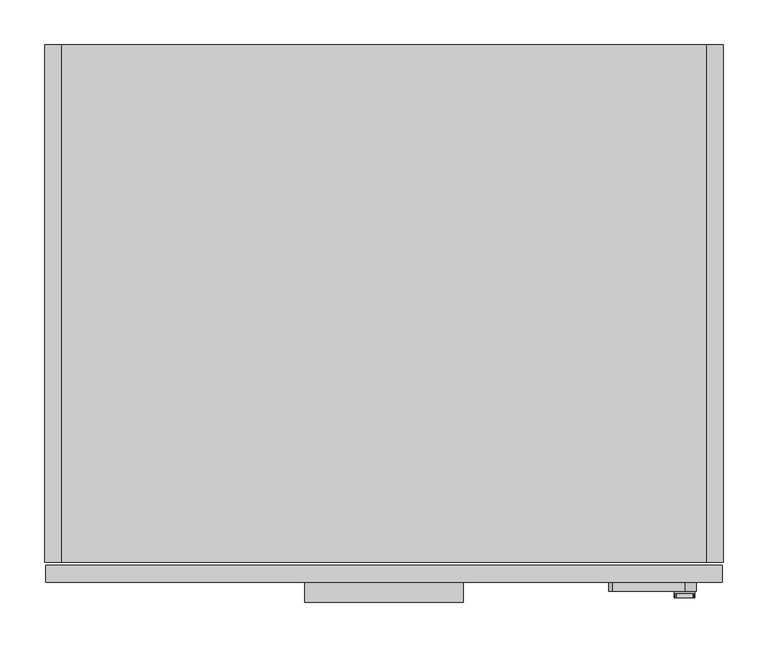
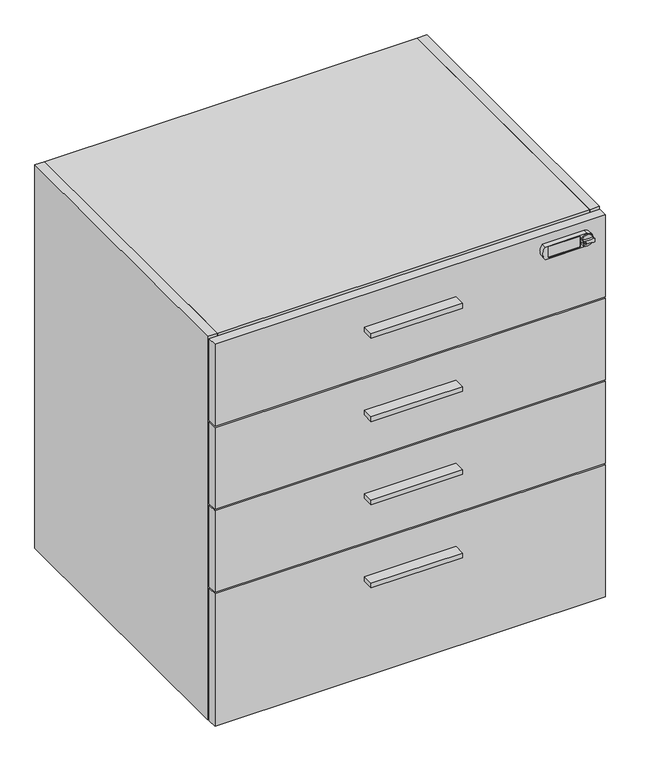
"""IFC4 building model written with IfcOpenShell, lengths in millimetres: furniture geometry."""

from ifc_helpers import new_model, si_unit, frame, origin, place, context, project, spatial, polyline, circle_curve, outline, extrude, source, transform, mapped, element, save
from ifc_brep_helpers import plane_surface, cylinder_surface, revolved_surface, advanced_brep


def furniture_92b18f6b(model_context):
    return source(origin(), model_context, "Body", "SolidModel", [
        advanced_brep(
        [(706.9389516, -621.03, 855.98), (707.3271839, -621.03, 853.026313), (709.0841031, -621.03, 852.1130336), (728.2171501, -621.03, 852.0828845), (729.4107192, -621.03, 853.026313), (729.7989516, -621.03, 855.98), (729.4107192, -621.03, 858.933687), (728.2171501, -621.03, 859.8771155), (709.0841031, -621.03, 859.8469664), (707.3271839, -621.03, 858.933687), (708.9563122, -621.03, 856.742), (712.2468737, -621.03, 856.742), (712.2468737, -621.03, 855.218), (708.9563122, -621.03, 855.218), (706.9389516, -613.41, 855.98), (729.7989516, -613.41, 855.98), (729.4107192, -615.5824403, 853.026313), (707.3271839, -615.5824403, 853.026313), (707.3271839, -615.5824403, 858.933687), (729.4107192, -615.5824403, 858.933687), (728.2171501, -615.5824403, 859.8771155), (709.0841031, -615.5824403, 859.8469664), (728.2171501, -615.5824403, 852.0828845), (709.0841031, -615.5824403, 852.1130336), (712.2468737, -619.8058699, 856.742), (708.9563122, -619.8058699, 856.742), (708.9563122, -619.8058699, 855.218), (712.2468737, -619.8058699, 855.218)],
        [
            (0, 1, circle_curve(frame((718.3689516, -621.03, 855.98), z_axis=(0.0, -1.0, 0.0), x_axis=(1.0, 0.0, 0.0)), 11.43)),
            (1, 2, circle_curve(frame((708.7238335, -621.03, 853.56654), z_axis=(0.0, -1.0, 0.0), x_axis=(1.0, 0.0, 0.0)), 1.4974896)),
            (2, 3, circle_curve(frame((718.5902164, -621.03, 813.7606576), z_axis=(0.0, 1.0, 0.0), x_axis=(1.0, 0.0, 0.0)), 39.512921)),
            (3, 4, circle_curve(frame((728.0140697, -621.03, 853.56654), z_axis=(0.0, -1.0, 0.0), x_axis=(1.0, 0.0, 0.0)), 1.4974896)),
            (4, 5, circle_curve(frame((718.3689516, -621.03, 855.98), z_axis=(0.0, -1.0, 0.0), x_axis=(1.0, 0.0, 0.0)), 11.43)),
            (5, 6, circle_curve(frame((718.3689516, -621.03, 855.98), z_axis=(0.0, -1.0, 0.0), x_axis=(1.0, 0.0, 0.0)), 11.43)),
            (6, 7, circle_curve(frame((728.0140697, -621.03, 858.39346), z_axis=(0.0, -1.0, 0.0), x_axis=(1.0, 0.0, 0.0)), 1.4974896)),
            (7, 8, circle_curve(frame((718.5902164, -621.03, 898.1993424), z_axis=(0.0, 1.0, 0.0), x_axis=(1.0, 0.0, 0.0)), 39.512921)),
            (8, 9, circle_curve(frame((708.7238335, -621.03, 858.39346), z_axis=(0.0, -1.0, 0.0), x_axis=(1.0, 0.0, 0.0)), 1.4974896)),
            (9, 0, circle_curve(frame((718.3689516, -621.03, 855.98), z_axis=(0.0, -1.0, 0.0), x_axis=(1.0, 0.0, 0.0)), 11.43)),
            (10, 11),
            (11, 12, circle_curve(frame((712.2468737, -621.03, 855.98), z_axis=(0.0, 1.0, 0.0), x_axis=(-1.0, 0.0, 0.0)), 0.762)),
            (12, 13),
            (13, 10, circle_curve(frame((708.9563122, -621.03, 855.98), z_axis=(0.0, 1.0, 0.0), x_axis=(1.0, 0.0, 0.0)), 0.762)),
            (14, 15, circle_curve(frame((718.3689516, -613.41, 855.98), z_axis=(0.0, 1.0, 0.0), x_axis=(1.0, 0.0, 0.0)), 11.43)),
            (15, 14, circle_curve(frame((718.3689516, -613.41, 855.98), z_axis=(0.0, 1.0, 0.0), x_axis=(1.0, 0.0, 0.0)), 11.43)),
            (15, 5),
            (4, 16),
            (16, 17, circle_curve(frame((718.3689516, -615.5824403, 855.98), z_axis=(0.0, 1.0, 0.0), x_axis=(1.0, 0.0, 0.0)), 11.43)),
            (17, 1),
            (0, 14),
            (9, 18),
            (18, 19, circle_curve(frame((718.3689516, -615.5824403, 855.98), z_axis=(0.0, 1.0, 0.0), x_axis=(1.0, 0.0, 0.0)), 11.43)),
            (19, 6),
            (20, 19, circle_curve(frame((728.0140697, -615.5824403, 858.39346), z_axis=(0.0, 1.0, 0.0), x_axis=(1.0, 0.0, 0.0)), 1.4974896)),
            (18, 21, circle_curve(frame((708.7238335, -615.5824403, 858.39346), z_axis=(0.0, 1.0, 0.0), x_axis=(1.0, 0.0, 0.0)), 1.4974896)),
            (21, 20, circle_curve(frame((718.5902164, -615.5824403, 898.1993424), z_axis=(0.0, -1.0, 0.0), x_axis=(1.0, 0.0, 0.0)), 39.512921)),
            (22, 23, circle_curve(frame((718.5902164, -615.5824403, 813.7606576), z_axis=(0.0, -1.0, 0.0), x_axis=(1.0, 0.0, 0.0)), 39.512921)),
            (23, 17, circle_curve(frame((708.7238335, -615.5824403, 853.56654), z_axis=(0.0, 1.0, 0.0), x_axis=(1.0, 0.0, 0.0)), 1.4974896)),
            (16, 22, circle_curve(frame((728.0140697, -615.5824403, 853.56654), z_axis=(0.0, 1.0, 0.0), x_axis=(1.0, 0.0, 0.0)), 1.4974896)),
            (20, 7),
            (8, 21),
            (22, 3),
            (2, 23),
            (24, 25),
            (25, 26, circle_curve(frame((708.9563122, -619.8058699, 855.98), z_axis=(0.0, -1.0, 0.0), x_axis=(1.0, 0.0, 0.0)), 0.762)),
            (26, 27),
            (27, 24, circle_curve(frame((712.2468737, -619.8058699, 855.98), z_axis=(0.0, -1.0, 0.0), x_axis=(-1.0, 0.0, 0.0)), 0.762)),
            (24, 11),
            (10, 25),
            (13, 26),
            (12, 27),
        ],
        [
            plane_surface(frame((729.7989516, -621.03, 855.98), z_axis=(0.0, -1.0, 0.0), x_axis=(0.0, 0.0, 1.0))),
            plane_surface(frame((729.7989516, -613.41, 855.98), z_axis=(0.0, 1.0, 0.0), x_axis=(0.0, 0.0, -1.0))),
            cylinder_surface(frame((718.3689516, -613.41, 855.98), z_axis=(0.0, -1.0, 0.0), x_axis=(1.0, 0.0, 0.0)), 11.43),
            plane_surface(frame((729.5115593, -615.5824403, 858.39346), z_axis=(0.0, -1.0, 0.0), x_axis=(0.0, 0.0, 1.0))),
            cylinder_surface(frame((728.0140697, -615.5824403, 858.39346), z_axis=(0.0, 1.0, 0.0), x_axis=(1.0, 0.0, 0.0)), 1.4974896),
            cylinder_surface(frame((708.7238335, -615.5824403, 858.39346), z_axis=(0.0, 1.0, 0.0), x_axis=(1.0, 0.0, 0.0)), 1.4974896),
            revolved_surface(polyline([(758.1031374, -621.03, 898.1993424), (758.1031374, -615.5824403, 898.1993424)]), (718.5902164, -615.5824403, 898.1993424), (0.0, -1.0, 0.0)),
            revolved_surface(polyline([(758.1031374, -621.03, 813.7606576), (758.1031374, -615.5824403, 813.7606576)]), (718.5902164, -603.504, 813.7606576), (0.0, -1.0, 0.0)),
            cylinder_surface(frame((708.7238335, -603.504, 853.56654), z_axis=(0.0, 1.0, 0.0), x_axis=(1.0, 0.0, 0.0)), 1.4974896),
            cylinder_surface(frame((728.0140697, -603.504, 853.56654), z_axis=(0.0, 1.0, 0.0), x_axis=(1.0, 0.0, 0.0)), 1.4974896),
            plane_surface(frame((633.1626549, -619.8058699, 856.742), z_axis=(0.0, -1.0, 0.0), x_axis=(1.0, 0.0, 0.0))),
            plane_surface(frame((712.2468737, -621.03, 856.742), z_axis=(0.0, 0.0, -1.0), x_axis=(0.0, 1.0, 0.0))),
            revolved_surface(polyline([(709.7183121999999, -621.03, 855.98), (709.7183121999999, -619.8058699, 855.98)]), (708.9563122, -619.8058699, 855.98), (0.0, -1.0, 0.0)),
            plane_surface(frame((708.9563122, -621.03, 855.218), z_axis=(0.0, 0.0, 1.0), x_axis=(0.0, 1.0, 0.0))),
            revolved_surface(polyline([(711.4848737000001, -621.03, 855.98), (711.4848737000001, -619.8058699, 855.98)]), (712.2468737, -619.8058699, 855.98), (0.0, -1.0, 0.0)),
        ],
        [
            (0, [[1, 2, 3, 4, 5, 6, 7, 8, 9, 10], [11, 12, 13, 14]]),
            (1, [[15, 16]]),
            (2, [[-16, 17, -5, 18, 19, 20, -1, 21]]),
            (2, [[-15, -21, -10, 22, 23, 24, -6, -17]]),
            (3, [[25, -23, 26, 27]]),
            (3, [[28, 29, -19, 30]]),
            (4, [[-25, 31, -7, -24]]),
            (5, [[-26, -22, -9, 32]]),
            (6, [[-27, -32, -8, -31]]),
            (7, [[-28, 33, -3, 34]]),
            (8, [[-29, -34, -2, -20]]),
            (9, [[-30, -18, -4, -33]]),
            (10, [[35, 36, 37, 38]]),
            (11, [[-35, 39, -11, 40]]),
            (12, [[-36, -40, -14, 41]]),
            (13, [[-37, -41, -13, 42]]),
            (14, [[-38, -42, -12, -39]]),
        ],
    ),
        advanced_brep(
        [(637.8119282, -613.41, 868.68), (637.8119282, -613.41, 843.28), (718.5025, -613.41, 843.28), (718.5025, -613.41, 868.68), (703.2083266, -613.41, 844.55), (646.5927741, -613.41, 844.55), (644.0527741, -613.41, 847.09), (644.0527741, -613.41, 864.87), (646.5927741, -613.41, 867.41), (703.2083266, -613.41, 867.41), (705.7483266, -613.41, 864.87), (705.7483266, -613.41, 847.09), (637.8119282, -603.504, 868.68), (718.5025, -603.504, 868.68), (718.5025, -603.504, 843.28), (637.8119282, -603.504, 843.28), (644.0527741, -611.9032162, 847.09), (646.5927741, -611.9032162, 844.55), (703.2083266, -611.9032162, 844.55), (705.7483266, -611.9032162, 847.09), (705.7483266, -611.9032162, 864.87), (703.2083266, -611.9032162, 867.41), (646.5927741, -611.9032162, 867.41), (644.0527741, -611.9032162, 864.87)],
        [
            (0, 1, circle_curve(frame((652.833013, -613.41, 855.98), z_axis=(0.0, -1.0, 0.0), x_axis=(1.0, 0.0, 0.0)), 19.6703582)),
            (1, 2),
            (2, 3, circle_curve(frame((718.5025, -613.41, 855.98), z_axis=(0.0, -1.0, 0.0), x_axis=(1.0, 0.0, 0.0)), 12.7)),
            (3, 0),
            (4, 5),
            (5, 6, circle_curve(frame((646.5927741, -613.41, 847.09), z_axis=(0.0, 1.0, 0.0), x_axis=(1.0, 0.0, 0.0)), 2.54)),
            (6, 7),
            (7, 8, circle_curve(frame((646.5927741, -613.41, 864.87), z_axis=(0.0, 1.0, 0.0), x_axis=(1.0, 0.0, 0.0)), 2.54)),
            (8, 9),
            (9, 10, circle_curve(frame((703.2083266, -613.41, 864.87), z_axis=(0.0, 1.0, 0.0), x_axis=(1.0, 0.0, 0.0)), 2.54)),
            (10, 11),
            (11, 4, circle_curve(frame((703.2083266, -613.41, 847.09), z_axis=(0.0, 1.0, 0.0), x_axis=(1.0, 0.0, 0.0)), 2.54)),
            (12, 13),
            (13, 14, circle_curve(frame((718.5025, -603.504, 855.98), z_axis=(0.0, 1.0, 0.0), x_axis=(1.0, 0.0, 0.0)), 12.7)),
            (14, 15),
            (15, 12, circle_curve(frame((652.833013, -603.504, 855.98), z_axis=(0.0, 1.0, 0.0), x_axis=(1.0, 0.0, 0.0)), 19.6703582)),
            (1, 15),
            (14, 2),
            (3, 13),
            (12, 0),
            (16, 17, circle_curve(frame((646.5927741, -611.9032162, 847.09), z_axis=(0.0, -1.0, 0.0), x_axis=(1.0, 0.0, 0.0)), 2.54)),
            (17, 18),
            (18, 19, circle_curve(frame((703.2083266, -611.9032162, 847.09), z_axis=(0.0, -1.0, 0.0), x_axis=(1.0, 0.0, 0.0)), 2.54)),
            (19, 20),
            (20, 21, circle_curve(frame((703.2083266, -611.9032162, 864.87), z_axis=(0.0, -1.0, 0.0), x_axis=(1.0, 0.0, 0.0)), 2.54)),
            (21, 22),
            (22, 23, circle_curve(frame((646.5927741, -611.9032162, 864.87), z_axis=(0.0, -1.0, 0.0), x_axis=(1.0, 0.0, 0.0)), 2.54)),
            (23, 16),
            (17, 5),
            (4, 18),
            (19, 11),
            (10, 20),
            (21, 9),
            (8, 22),
            (23, 7),
            (6, 16),
        ],
        [
            plane_surface(frame((672.5033712, -613.41, 855.98), z_axis=(0.0, -1.0, 0.0), x_axis=(0.0, 0.0, 1.0))),
            plane_surface(frame((672.5033712, -603.504, 855.98), z_axis=(0.0, 1.0, 0.0), x_axis=(0.0, 0.0, -1.0))),
            plane_surface(frame((637.8119282, -613.41, 843.28), z_axis=(0.0, 0.0, -1.0), x_axis=(0.0, 1.0, 0.0))),
            plane_surface(frame((718.5025, -613.41, 868.68), z_axis=(-2.791359111065728e-12, 0.0, 1.0), x_axis=(0.0, 1.0, 0.0))),
            plane_surface(frame((649.1327741, -611.9032162, 847.09), z_axis=(0.0, -1.0, 0.0), x_axis=(0.0, 0.0, -1.0))),
            cylinder_surface(frame((718.5025, -603.504, 855.98), z_axis=(0.0, -1.0, 0.0), x_axis=(1.0, 0.0, 0.0)), 12.7),
            plane_surface(frame((646.5927741, -619.8058699, 844.55), z_axis=(3.0483134258883253e-12, 0.0, 1.0), x_axis=(0.0, 1.0, 0.0))),
            plane_surface(frame((705.7483266, -619.8058699, 847.09), z_axis=(-1.0, 0.0, 0.0), x_axis=(0.0, 1.0, 0.0))),
            plane_surface(frame((703.2083266, -619.8058699, 867.41), z_axis=(0.0, 0.0, -1.0), x_axis=(0.0, 1.0, 0.0))),
            plane_surface(frame((644.0527741, -619.8058699, 864.87), z_axis=(1.0, 0.0, 0.0), x_axis=(0.0, 1.0, 0.0))),
            revolved_surface(polyline([(649.1327741, -613.41, 847.09), (649.1327741, -611.9032162, 847.09)]), (646.5927741, -611.9032162, 847.09), (0.0, -1.0, 0.0)),
            revolved_surface(polyline([(705.7483265999999, -613.41, 847.09), (705.7483265999999, -611.9032162, 847.09)]), (703.2083266, -611.9032162, 847.09), (0.0, -1.0, 0.0)),
            revolved_surface(polyline([(705.7483265999999, -613.41, 864.87), (705.7483265999999, -611.9032162, 864.87)]), (703.2083266, -611.9032162, 864.87), (0.0, -1.0, 0.0)),
            revolved_surface(polyline([(649.1327741, -613.41, 864.87), (649.1327741, -611.9032162, 864.87)]), (646.5927741, -611.9032162, 864.87), (0.0, -1.0, 0.0)),
            cylinder_surface(frame((652.833013, -603.504, 855.98), z_axis=(0.0, -1.0, 0.0), x_axis=(1.0, 0.0, 0.0)), 19.6703582),
        ],
        [
            (0, [[1, 2, 3, 4], [5, 6, 7, 8, 9, 10, 11, 12]]),
            (1, [[13, 14, 15, 16]]),
            (2, [[-2, 17, -15, 18]]),
            (3, [[-4, 19, -13, 20]]),
            (4, [[21, 22, 23, 24, 25, 26, 27, 28]]),
            (5, [[-3, -18, -14, -19]]),
            (6, [[-22, 29, -5, 30]]),
            (7, [[-24, 31, -11, 32]]),
            (8, [[-26, 33, -9, 34]]),
            (9, [[-28, 35, -7, 36]]),
            (10, [[-21, -36, -6, -29]]),
            (11, [[-23, -30, -12, -31]]),
            (12, [[-25, -32, -10, -33]]),
            (13, [[-27, -34, -8, -35]]),
            (14, [[-1, -20, -16, -17]]),
        ],
    ),
        extrude(outline(polyline([(469.9, -625.729), (292.1, -625.729), (292.1, -603.504), (469.9, -603.504), (469.9, -625.729)])), frame((0.0, 0.0, 297.3451), z_axis=(0.0, 0.0, 1.0), x_axis=(1.0, 0.0, 0.0)), (0.0, 0.0, 1.0), 9.525),
        extrude(outline(polyline([(469.9, -625.729), (292.1, -625.729), (292.1, -603.504), (469.9, -603.504), (469.9, -625.729)])), frame((0.0, 0.0, 809.9425), z_axis=(0.0, 0.0, 1.0), x_axis=(1.0, 0.0, 0.0)), (0.0, 0.0, 1.0), 9.525),
        extrude(outline(polyline([(469.9, -625.729), (292.1, -625.729), (292.1, -603.504), (469.9, -603.504), (469.9, -625.729)])), frame((0.0, 0.0, 639.0767), z_axis=(0.0, 0.0, 1.0), x_axis=(1.0, 0.0, 0.0)), (0.0, 0.0, 1.0), 9.525),
        extrude(outline(polyline([(469.9, -625.729), (292.1, -625.729), (292.1, -603.504), (469.9, -603.504), (469.9, -625.729)])), frame((0.0, 0.0, 468.2109), z_axis=(0.0, 0.0, 1.0), x_axis=(1.0, 0.0, 0.0)), (0.0, 0.0, 1.0), 9.525),
        extrude(outline(polyline([(742.696, 0.0), (742.696, -19.304), (19.304, -19.304), (19.304, 0.0), (742.696, 0.0)])), frame((0.0, 0.0, 101.6), z_axis=(0.0, 0.0, 1.0), x_axis=(1.0, 0.0, 0.0)), (0.0, 0.0, 1.0), 768.096),
        extrude(outline(polyline([(742.696, -581.025), (19.304, -581.025), (19.304, -19.304), (742.696, -19.304), (742.696, -581.025)])), frame((0.0, 0.0, 101.6), z_axis=(0.0, 0.0, 1.0), x_axis=(1.0, 0.0, 0.0)), (0.0, 0.0, 1.0), 19.304),
        extrude(outline(polyline([(742.696, -581.025), (19.304, -581.025), (19.304, 0.0), (742.696, 0.0), (742.696, -581.025)])), frame((0.0, 0.0, 869.696), z_axis=(0.0, 0.0, 1.0), x_axis=(1.0, 0.0, 0.0)), (0.0, 0.0, 1.0), 19.304),
        extrude(outline(polyline([(19.304, 0.0), (19.304, -581.025), (0.0, -581.025), (0.0, 0.0), (19.304, 0.0)])), frame((0.0, 0.0, 101.6), z_axis=(0.0, 0.0, 1.0), x_axis=(1.0, 0.0, 0.0)), (0.0, 0.0, 1.0), 787.4),
        extrude(outline(polyline([(742.696, 0.0), (762.0, 0.0), (762.0, -581.025), (742.696, -581.025), (742.696, 0.0)])), frame((0.0, 0.0, 101.6), z_axis=(0.0, 0.0, 1.0), x_axis=(1.0, 0.0, 0.0)), (0.0, 0.0, 1.0), 787.4),
        extrude(outline(polyline([(760.4125, -603.504), (1.5875, -603.504), (1.5875, -584.2), (760.4125, -584.2), (760.4125, -603.504)])), frame((0.0, 0.0, 718.1342), z_axis=(0.0, 0.0, 1.0), x_axis=(1.0, 0.0, 0.0)), (0.0, 0.0, 1.0), 167.6908),
        extrude(outline(polyline([(760.4125, -603.504), (1.5875, -603.504), (1.5875, -584.2), (760.4125, -584.2), (760.4125, -603.504)])), frame((0.0, 0.0, 547.2684), z_axis=(0.0, 0.0, 1.0), x_axis=(1.0, 0.0, 0.0)), (0.0, 0.0, 1.0), 167.6908),
        extrude(outline(polyline([(760.4125, -603.504), (1.5875, -603.504), (1.5875, -584.2), (760.4125, -584.2), (760.4125, -603.504)])), frame((0.0, 0.0, 376.4026), z_axis=(0.0, 0.0, 1.0), x_axis=(1.0, 0.0, 0.0)), (0.0, 0.0, 1.0), 167.6908),
        extrude(outline(polyline([(760.4125, -603.504), (1.5875, -603.504), (1.5875, -584.2), (760.4125, -584.2), (760.4125, -603.504)])), frame((0.0, 0.0, 101.6), z_axis=(0.0, 0.0, 1.0), x_axis=(1.0, 0.0, 0.0)), (0.0, 0.0, 1.0), 271.6276),
    ])


if __name__ == "__main__":
    model = new_model("IFC4")
    model_context = context("Model", 3, world=origin())
    ifc_project = project(units=[si_unit("LENGTHUNIT", "METRE", prefix="MILLI")], contexts=[model_context])
    site = spatial("IfcSite", under=ifc_project)
    building = spatial("IfcBuilding", under=site)
    placement = place(None, origin())
    furniture_shape = furniture_92b18f6b(model_context)
    element("IfcFurniture", 1, at=placement, inside=building, context=model_context, shape_type="MappedRepresentation", body=[
        mapped(furniture_shape, transform((0.0, 0.0, 0.0), x_axis=(1.0, 0.0, 0.0), y_axis=(0.0, 1.0, 0.0), z_axis=(0.0, 0.0, 1.0))),
    ])
    save(model, "model.ifc")
